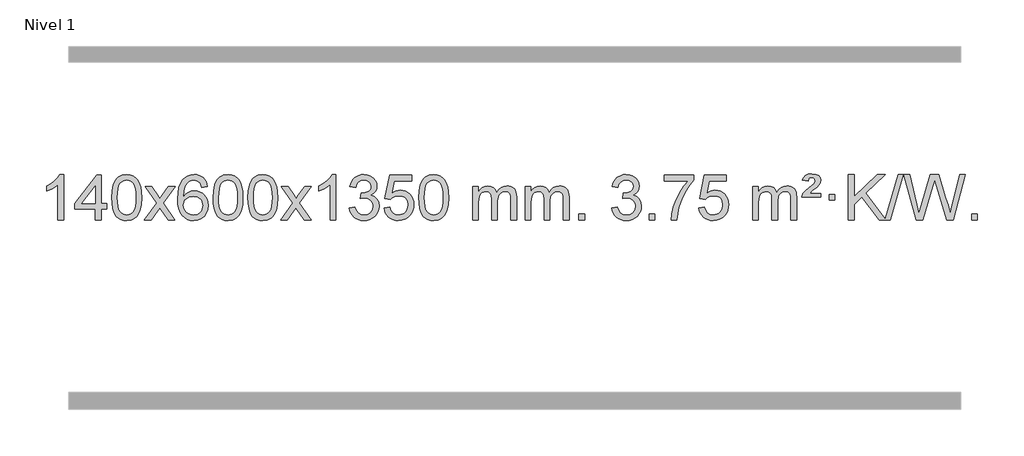
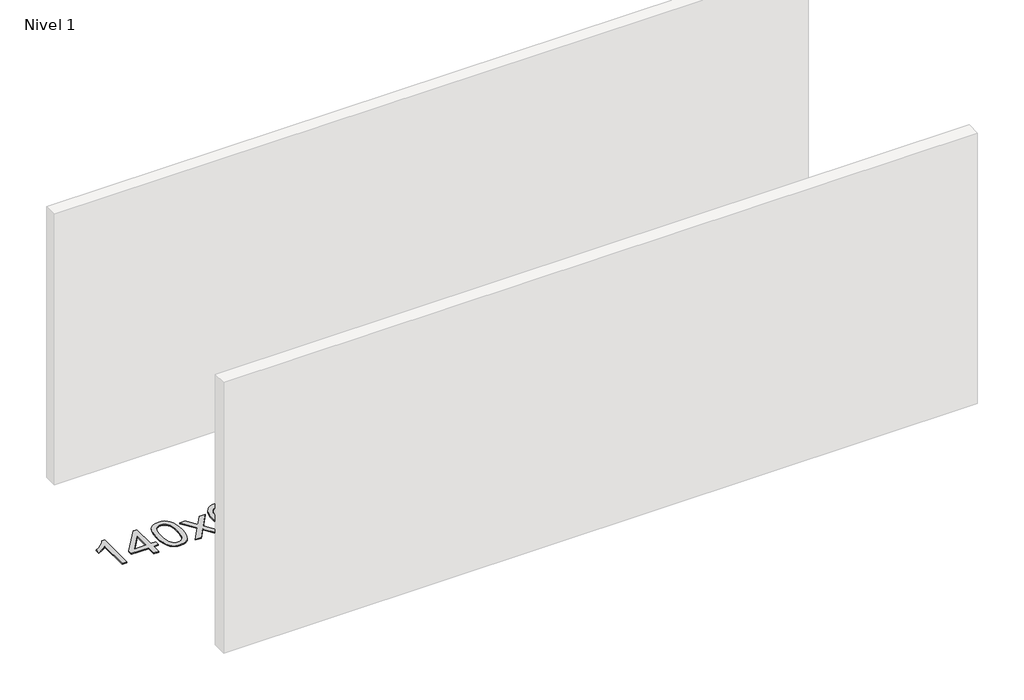
# One storey, part 7 of 21: 1 proxy.
"""IFC4 building model written with IfcOpenShell, lengths in millimetres."""

from ifc_helpers import new_model, si_unit, origin, origin_with_axes, place, context, project, spatial, polyline, outline, extrude, element, save

model = new_model("IFC4")

# Units and contexts
model_context = context("Model", 3, world=origin())
ifc_project = project(units=[si_unit("LENGTHUNIT", "METRE", prefix="MILLI")], contexts=[model_context])

# Site, building, storey
site = spatial("IfcSite", under=ifc_project)
building = spatial("IfcBuilding", under=site)
storey = spatial("IfcBuildingStorey", under=building, Name="Nivel 1", Elevation=0.0)

# Proxy
placement = place(None, origin())
element("IfcBuildingElementProxy", 1, Name="Texto de modelo 1", ObjectType="Texto de modelo 1", at=placement, inside=storey, context=model_context, shape_type="SweptSolid", body=[
    extrude(outline(polyline([(-275.4615788, -36780.579453), (-325.6897338, -36780.579453), (-325.6897338, -36467.4382987), (-346.6590076, -36484.3976587), (-373.2691385, -36501.3324932), (-426.146044, -36526.6918254), (-426.146044, -36479.2105225), (-386.6968314, -36457.7507395), (-352.520594, -36432.219729), (-325.5793692, -36405.0700378), (-307.8351943, -36378.7542124), (-275.4615788, -36378.7542124), (-275.4615788, -36780.579453)])), origin_with_axes(), (0.0, 0.0, 1.0), 10.0),
    extrude(outline(polyline([(7.0717935, -36780.579453), (7.0717935, -36686.4016622), (-175.0052686, -36686.4016622), (-175.0052686, -36636.1735072), (19.6288323, -36385.0327318), (57.2999486, -36385.0327318), (57.2999486, -36636.1735072), (107.5281037, -36636.1735072), (107.5281037, -36686.4016622), (57.2999486, -36686.4016622), (57.2999486, -36780.579453), (7.0717935, -36780.579453)]), holes=[polyline([(7.0717935, -36636.1735072), (7.0717935, -36480.9763561), (-113.2010934, -36636.1735072), (7.0717935, -36636.1735072)])]), origin_with_axes(), (0.0, 0.0, 1.0), 10.0),
    extrude(outline(polyline([(151.4777394, -36582.9041943), (155.1688221, -36518.5861588), (166.2420701, -36467.2911459), (184.5871189, -36428.2343407), (196.4451819, -36413.0009605), (210.0936039, -36400.6309284), (225.5783702, -36391.0598651), (242.9454661, -36384.2233914), (283.3266464, -36378.7542124), (314.277785, -36381.991574), (341.9915619, -36391.7036586), (365.1681276, -36407.5103217), (382.5076323, -36429.0314184), (395.6042314, -36456.0830078), (406.05208, -36488.4811488), (412.8946851, -36529.6226186), (415.1755535, -36582.9041943), (411.521259, -36646.8543477), (400.5583756, -36698.0267333), (382.3236913, -36737.1203266), (370.4932195, -36752.3996922), (356.8539945, -36764.8341036), (341.3508341, -36774.4695462), (323.928556, -36781.3520052), (283.3266464, -36786.8579724), (255.6619204, -36784.4667394), (231.1364541, -36777.2930405), (209.7502474, -36765.3368757), (191.5033004, -36748.5982449), (173.9921175, -36718.3399508), (161.4841296, -36680.6381776), (153.9793369, -36635.4929255), (151.4777394, -36582.9041943)]), holes=[polyline([(201.7058944, -36582.8060924), (203.1774224, -36626.4706195), (207.5920064, -36661.8148822), (214.9496463, -36688.8388804), (225.2503421, -36707.5426142), (237.709279, -36720.2682656), (251.5416421, -36729.3580165), (266.7474312, -36734.8118671), (283.3266464, -36736.6298173), (299.9058617, -36734.8057357), (315.1116508, -36729.3334911), (328.9440138, -36720.2130833), (341.4029507, -36707.4445124), (351.7036466, -36688.7101217), (359.0612865, -36661.6922549), (363.4758705, -36626.3909118), (364.9473984, -36582.8060924), (363.5249214, -36540.2973278), (359.2574902, -36505.5753989), (352.145105, -36478.6403055), (342.1877657, -36459.4920476), (329.9372952, -36446.1440625), (315.9455167, -36436.6097875), (300.21243, -36430.8892225), (282.7380352, -36428.9823675), (266.2446591, -36430.6623619), (251.2963874, -36435.7023452), (237.89322, -36444.1023175), (226.0351571, -36455.8622786), (215.3911047, -36476.708925), (207.7882101, -36504.8151094), (203.2264734, -36540.1808319), (201.7058944, -36582.8060924)])]), origin_with_axes(), (0.0, 0.0, 1.0), 10.0),
    extrude(outline(polyline([(440.2896311, -36780.579453), (547.6130718, -36632.2494325), (446.5681504, -36485.4890419), (506.9988995, -36485.4890419), (555.7555266, -36556.122385), (578.5151594, -36589.4770192), (598.2336343, -36562.2047007), (653.7592901, -36485.4890419), (714.1900392, -36485.4890419), (608.0438209, -36632.2494325), (710.2659646, -36780.579453), (649.8352155, -36780.579453), (588.3253459, -36691.4048574), (577.0436314, -36675.1199477), (500.7203801, -36780.579453), (440.2896311, -36780.579453)])), origin_with_axes(), (0.0, 0.0, 1.0), 10.0),
    extrude(outline(polyline([(999.0778563, -36485.4890419), (948.8497012, -36491.7675613), (940.7562973, -36466.874213), (929.8179393, -36449.8780648), (907.0337811, -36434.2062918), (879.4916824, -36428.9823675), (856.1434384, -36432.0235253), (834.1686206, -36441.1469988), (815.2962742, -36460.3627017), (799.8820186, -36486.8134171), (789.4709581, -36524.227016), (785.6081972, -36576.3313693), (805.7558678, -36552.8237098), (829.9011894, -36536.2567573), (856.6952614, -36526.434308), (884.7891831, -36523.1601582), (908.922242, -36525.398107), (931.1913654, -36532.1119534), (951.5965534, -36543.3016975), (970.137806, -36558.9673391), (985.5459302, -36578.1769106), (996.5517332, -36599.9984443), (1003.155215, -36624.4319401), (1005.3563756, -36651.4773982), (1001.2115718, -36687.4439945), (988.7771604, -36720.786366), (969.0832109, -36749.0642287), (943.159793, -36769.8372987), (912.184129, -36782.602804), (877.3334413, -36786.8579724), (847.3909126, -36784.0375437), (820.3485203, -36775.5762579), (796.2062643, -36761.4741147), (774.9641448, -36741.7311143), (757.6460999, -36715.5133908), (745.2760678, -36681.9870783), (737.8540485, -36641.1521768), (735.3800421, -36593.0086864), (738.1268943, -36539.0342663), (746.367451, -36492.9693092), (760.1017122, -36454.8138149), (779.3296778, -36424.5677835), (800.1701928, -36404.5243462), (824.3339085, -36390.2076052), (851.820825, -36381.6175606), (882.6309421, -36378.7542124), (905.7645882, -36380.5261773), (926.7032051, -36385.8420722), (945.4467927, -36394.7018969), (961.9953511, -36407.1056515), (975.9012906, -36422.6364031), (986.7170212, -36440.8772186), (994.4425431, -36461.8280983), (999.0778563, -36485.4890419)]), holes=[polyline([(785.6081972, -36650.6925832), (788.514465, -36672.9494439), (797.2332682, -36694.2007605), (810.7713257, -36712.472233), (828.1353558, -36725.7895612), (849.0923668, -36733.9197533), (873.4093667, -36736.6298173), (906.5555345, -36731.0134855), (920.4706709, -36723.9930708), (932.6138425, -36714.1644901), (942.4638829, -36701.9262824), (949.499626, -36687.6769865), (955.1282206, -36653.1451299), (949.5732024, -36619.9989621), (942.6294298, -36606.3781312), (932.9081481, -36594.725469), (920.7281883, -36585.3904634), (906.4083817, -36578.7226022), (871.3492275, -36573.3883133), (838.2521107, -36578.7226022), (810.5751219, -36594.725469), (799.6520924, -36606.2248471), (791.8499284, -36619.3858254), (787.16863, -36634.2084042), (785.6081972, -36650.6925832)])]), origin_with_axes(), (0.0, 0.0, 1.0), 10.0),
    extrude(outline(polyline([(1049.3060113, -36582.9041943), (1052.997094, -36518.5861588), (1064.0703421, -36467.2911459), (1082.4153909, -36428.2343407), (1094.2734539, -36413.0009605), (1107.9218759, -36400.6309284), (1123.4066422, -36391.0598651), (1140.7737381, -36384.2233914), (1181.1549184, -36378.7542124), (1212.1060569, -36381.991574), (1239.8198339, -36391.7036586), (1262.9963996, -36407.5103217), (1280.3359043, -36429.0314184), (1293.4325033, -36456.0830078), (1303.880352, -36488.4811488), (1310.7229571, -36529.6226186), (1313.0038255, -36582.9041943), (1309.349531, -36646.8543477), (1298.3866475, -36698.0267333), (1280.1519633, -36737.1203266), (1268.3214915, -36752.3996922), (1254.6822665, -36764.8341036), (1239.1791061, -36774.4695462), (1221.7568279, -36781.3520052), (1181.1549184, -36786.8579724), (1153.4901924, -36784.4667394), (1128.964726, -36777.2930405), (1107.5785194, -36765.3368757), (1089.3315724, -36748.5982449), (1071.8203894, -36718.3399508), (1059.3124016, -36680.6381776), (1051.8076089, -36635.4929255), (1049.3060113, -36582.9041943)]), holes=[polyline([(1099.5341664, -36582.8060924), (1101.0056944, -36626.4706195), (1105.4202783, -36661.8148822), (1112.7779182, -36688.8388804), (1123.0786141, -36707.5426142), (1135.537551, -36720.2682656), (1149.369914, -36729.3580165), (1164.5757032, -36734.8118671), (1181.1549184, -36736.6298173), (1197.7341337, -36734.8057357), (1212.9399228, -36729.3334911), (1226.7722858, -36720.2130833), (1239.2312227, -36707.4445124), (1249.5319186, -36688.7101217), (1256.8895585, -36661.6922549), (1261.3041424, -36626.3909118), (1262.7756704, -36582.8060924), (1261.3531934, -36540.2973278), (1257.0857622, -36505.5753989), (1249.973377, -36478.6403055), (1240.0160376, -36459.4920476), (1227.7655672, -36446.1440625), (1213.7737886, -36436.6097875), (1198.040702, -36430.8892225), (1180.5663072, -36428.9823675), (1164.0729311, -36430.6623619), (1149.1246594, -36435.7023452), (1135.721492, -36444.1023175), (1123.863429, -36455.8622786), (1113.2193766, -36476.708925), (1105.6164821, -36504.8151094), (1101.0547453, -36540.1808319), (1099.5341664, -36582.8060924)])]), origin_with_axes(), (0.0, 0.0, 1.0), 10.0),
    extrude(outline(polyline([(1356.9534612, -36582.9041943), (1360.6445439, -36518.5861588), (1371.7177919, -36467.2911459), (1390.0628407, -36428.2343407), (1401.9209037, -36413.0009605), (1415.5693257, -36400.6309284), (1431.054092, -36391.0598651), (1448.4211879, -36384.2233914), (1488.8023682, -36378.7542124), (1519.7535068, -36381.991574), (1547.4672837, -36391.7036586), (1570.6438494, -36407.5103217), (1587.9833541, -36429.0314184), (1601.0799532, -36456.0830078), (1611.5278018, -36488.4811488), (1618.3704069, -36529.6226186), (1620.6512753, -36582.9041943), (1616.9969808, -36646.8543477), (1606.0340974, -36698.0267333), (1587.7994131, -36737.1203266), (1575.9689413, -36752.3996922), (1562.3297163, -36764.8341036), (1546.8265559, -36774.4695462), (1529.4042778, -36781.3520052), (1488.8023682, -36786.8579724), (1461.1376422, -36784.4667394), (1436.6121759, -36777.2930405), (1415.2259692, -36765.3368757), (1396.9790222, -36748.5982449), (1379.4678393, -36718.3399508), (1366.9598514, -36680.6381776), (1359.4550587, -36635.4929255), (1356.9534612, -36582.9041943)]), holes=[polyline([(1407.1816162, -36582.8060924), (1408.6531442, -36626.4706195), (1413.0677282, -36661.8148822), (1420.4253681, -36688.8388804), (1430.7260639, -36707.5426142), (1443.1850008, -36720.2682656), (1457.0173639, -36729.3580165), (1472.223153, -36734.8118671), (1488.8023682, -36736.6298173), (1505.3815835, -36734.8057357), (1520.5873726, -36729.3334911), (1534.4197356, -36720.2130833), (1546.8786725, -36707.4445124), (1557.1793684, -36688.7101217), (1564.5370083, -36661.6922549), (1568.9515923, -36626.3909118), (1570.4231202, -36582.8060924), (1569.0006432, -36540.2973278), (1564.733212, -36505.5753989), (1557.6208268, -36478.6403055), (1547.6634875, -36459.4920476), (1535.413017, -36446.1440625), (1521.4212385, -36436.6097875), (1505.6881518, -36430.8892225), (1488.213757, -36428.9823675), (1471.7203809, -36430.6623619), (1456.7721092, -36435.7023452), (1443.3689418, -36444.1023175), (1431.5108789, -36455.8622786), (1420.8668265, -36476.708925), (1413.2639319, -36504.8151094), (1408.7021952, -36540.1808319), (1407.1816162, -36582.8060924)])]), origin_with_axes(), (0.0, 0.0, 1.0), 10.0),
    extrude(outline(polyline([(1645.7653528, -36780.579453), (1753.0887936, -36632.2494325), (1652.0438722, -36485.4890419), (1712.4746213, -36485.4890419), (1761.2312484, -36556.122385), (1783.9908812, -36589.4770192), (1803.7093561, -36562.2047007), (1859.2350119, -36485.4890419), (1919.665761, -36485.4890419), (1813.5195426, -36632.2494325), (1915.7416864, -36780.579453), (1855.3109373, -36780.579453), (1793.8010677, -36691.4048574), (1782.5193532, -36675.1199477), (1706.1961019, -36780.579453), (1645.7653528, -36780.579453)])), origin_with_axes(), (0.0, 0.0, 1.0), 10.0),
    extrude(outline(polyline([(2135.4898648, -36780.579453), (2085.2617098, -36780.579453), (2085.2617098, -36467.4382987), (2064.292436, -36484.3976587), (2037.682305, -36501.3324932), (1984.8053996, -36526.6918254), (1984.8053996, -36479.2105225), (2024.2546122, -36457.7507395), (2058.4308496, -36432.219729), (2085.3720743, -36405.0700378), (2103.1162492, -36378.7542124), (2135.4898648, -36378.7542124), (2135.4898648, -36780.579453)])), origin_with_axes(), (0.0, 0.0, 1.0), 10.0),
    extrude(outline(polyline([(2254.7817331, -36673.8446235), (2305.0098882, -36667.5661041), (2316.2548145, -36699.1303793), (2332.7236652, -36720.4430095), (2355.2257805, -36732.5831154), (2384.570501, -36736.6298173), (2419.0042558, -36731.0625364), (2433.2780772, -36724.1034354), (2445.5898613, -36714.3606939), (2462.5860095, -36689.4428201), (2468.2513922, -36659.2274455), (2462.6350604, -36630.5449126), (2445.786065, -36607.2825078), (2420.27958, -36591.8682522), (2388.6907794, -36586.730167), (2353.4722097, -36592.2238715), (2359.064016, -36541.9957164), (2367.108369, -36542.5843276), (2397.2011162, -36538.979084), (2424.1055528, -36528.1633534), (2435.1788008, -36519.9841103), (2443.0882637, -36509.8673555), (2447.8339415, -36497.8130888), (2449.415834, -36483.8213102), (2444.8295718, -36462.1285352), (2431.0707852, -36444.5315131), (2410.076986, -36432.8696539), (2383.7856861, -36428.9823675), (2357.4453352, -36432.9064421), (2335.9119758, -36444.6786659), (2320.1911519, -36464.299039), (2311.2884076, -36491.7675613), (2261.0602525, -36485.4890419), (2267.0138095, -36461.5092672), (2275.8491087, -36440.3867093), (2287.5661503, -36422.1213683), (2302.1649341, -36406.713244), (2319.1856077, -36394.4811677), (2338.1683187, -36385.7439703), (2359.113067, -36380.5016519), (2382.0198525, -36378.7542124), (2413.5963904, -36382.2000404), (2442.5977544, -36392.5375245), (2467.0496443, -36408.8469596), (2484.9777602, -36430.2086408), (2495.9774319, -36454.8199463), (2499.6439891, -36480.8782543), (2496.1613729, -36505.1584659), (2485.7135242, -36527.1823347), (2468.4475959, -36545.9443165), (2444.5107408, -36560.4388671), (2475.9523886, -36573.1430586), (2499.2515817, -36594.77452), (2513.6725559, -36624.1560286), (2518.4795473, -36660.1103623), (2516.0760516, -36685.5923218), (2508.8655645, -36709.0631931), (2496.848086, -36730.5229762), (2480.023616, -36749.971671), (2459.5264575, -36766.1094278), (2436.4909133, -36777.636397), (2410.9169832, -36784.5525785), (2382.8046674, -36786.8579724), (2357.3962843, -36784.8898037), (2334.2442441, -36778.9852977), (2313.3485468, -36769.1444543), (2294.7091923, -36755.3672736), (2279.0803389, -36738.4630959), (2267.2161446, -36719.2412617), (2259.1166093, -36697.7017708), (2254.7817331, -36673.8446235)])), origin_with_axes(), (0.0, 0.0, 1.0), 10.0),
    extrude(outline(polyline([(2562.429183, -36673.8446235), (2612.657338, -36667.5661041), (2621.8789134, -36697.7201649), (2637.9676193, -36719.3148381), (2660.8498794, -36732.3010725), (2690.4521173, -36736.6298173), (2709.581981, -36735.1245668), (2726.4555019, -36730.6088153), (2741.0726798, -36723.0825628), (2753.4335149, -36712.5458094), (2763.2620955, -36699.519721), (2770.2825102, -36684.5254641), (2775.898842, -36648.6324441), (2770.6381295, -36614.8363514), (2764.0622388, -36600.9181493), (2754.8559919, -36588.9865099), (2742.9887319, -36579.4154467), (2728.4298019, -36572.5789729), (2691.2369322, -36567.1097939), (2666.8708814, -36569.2925604), (2647.1401437, -36575.8408599), (2631.3825316, -36585.8717757), (2618.9358574, -36598.5023908), (2568.7077023, -36592.2238715), (2612.657338, -36385.0327318), (2807.291439, -36385.0327318), (2807.291439, -36435.2608869), (2653.2715103, -36435.2608869), (2631.7872018, -36545.919791), (2649.5129826, -36533.2155994), (2667.667959, -36524.1411769), (2686.2521312, -36518.6965234), (2705.265499, -36516.8816388), (2729.726586, -36519.1318504), (2752.1949788, -36525.882485), (2772.6706775, -36537.1335427), (2791.1536821, -36552.8850234), (2806.4545074, -36572.1743027), (2817.3836684, -36594.038756), (2823.9411649, -36618.4783832), (2826.1269971, -36645.4931844), (2824.1588284, -36671.5147042), (2818.2543224, -36695.7213394), (2808.413479, -36718.1130902), (2794.6362983, -36738.6899565), (2773.7651265, -36759.7634634), (2749.4113384, -36774.8159684), (2721.5749341, -36783.8474714), (2690.2559136, -36786.8579724), (2664.3355613, -36784.9235262), (2640.922938, -36779.1201877), (2620.0180436, -36769.447957), (2601.6208782, -36755.9068338), (2586.3139215, -36739.1712688), (2574.6796534, -36719.915712), (2566.7180739, -36698.1401636), (2562.429183, -36673.8446235)])), origin_with_axes(), (0.0, 0.0, 1.0), 10.0),
    extrude(outline(polyline([(2870.0766328, -36582.9041943), (2873.7677155, -36518.5861588), (2884.8409635, -36467.2911459), (2903.1860124, -36428.2343407), (2915.0440753, -36413.0009605), (2928.6924974, -36400.6309284), (2944.1772637, -36391.0598651), (2961.5443595, -36384.2233914), (3001.9255399, -36378.7542124), (3032.8766784, -36381.991574), (3060.5904554, -36391.7036586), (3083.7670211, -36407.5103217), (3101.1065258, -36429.0314184), (3114.2031248, -36456.0830078), (3124.6509735, -36488.4811488), (3131.4935786, -36529.6226186), (3133.7744469, -36582.9041943), (3130.1201525, -36646.8543477), (3119.157269, -36698.0267333), (3100.9225848, -36737.1203266), (3089.0921129, -36752.3996922), (3075.452888, -36764.8341036), (3059.9497276, -36774.4695462), (3042.5274494, -36781.3520052), (3001.9255399, -36786.8579724), (2974.2608138, -36784.4667394), (2949.7353475, -36777.2930405), (2928.3491408, -36765.3368757), (2910.1021939, -36748.5982449), (2892.5910109, -36718.3399508), (2880.0830231, -36680.6381776), (2872.5782304, -36635.4929255), (2870.0766328, -36582.9041943)]), holes=[polyline([(2920.3047879, -36582.8060924), (2921.7763158, -36626.4706195), (2926.1908998, -36661.8148822), (2933.5485397, -36688.8388804), (2943.8492356, -36707.5426142), (2956.3081725, -36720.2682656), (2970.1405355, -36729.3580165), (2985.3463246, -36734.8118671), (3001.9255399, -36736.6298173), (3018.5047551, -36734.8057357), (3033.7105442, -36729.3334911), (3047.5429073, -36720.2130833), (3060.0018442, -36707.4445124), (3070.30254, -36688.7101217), (3077.6601799, -36661.6922549), (3082.0747639, -36626.3909118), (3083.5462919, -36582.8060924), (3082.1238148, -36540.2973278), (3077.8563837, -36505.5753989), (3070.7439984, -36478.6403055), (3060.7866591, -36459.4920476), (3048.5361887, -36446.1440625), (3034.5444101, -36436.6097875), (3018.8113234, -36430.8892225), (3001.3369287, -36428.9823675), (2984.8435526, -36430.6623619), (2969.8952808, -36435.7023452), (2956.4921135, -36444.1023175), (2944.6340505, -36455.8622786), (2933.9899981, -36476.708925), (2926.3871035, -36504.8151094), (2921.8253668, -36540.1808319), (2920.3047879, -36582.8060924)])]), origin_with_axes(), (0.0, 0.0, 1.0), 10.0),
    extrude(outline(polyline([(3347.244106, -36780.579453), (3347.244106, -36485.4890419), (3397.4722611, -36485.4890419), (3397.4722611, -36534.0494653), (3412.5799483, -36511.7435537), (3432.0041177, -36494.2691589), (3455.0825815, -36482.9751816), (3481.1531522, -36479.2105225), (3509.0876584, -36483.048758), (3531.4794092, -36494.5634645), (3548.2057772, -36512.9943524), (3559.1441352, -36537.5811324), (3577.4523959, -36512.0439906), (3598.3358304, -36493.803175), (3621.794439, -36482.8586857), (3647.8282215, -36479.2105225), (3667.9360383, -36480.7280358), (3685.585177, -36485.2805755), (3700.7756377, -36492.8681416), (3713.5074204, -36503.4907342), (3723.5720587, -36517.2709806), (3730.761086, -36534.3315082), (3735.0745024, -36554.6723168), (3736.5123078, -36578.2934066), (3736.5123078, -36780.579453), (3686.2841528, -36780.579453), (3686.2841528, -36599.875817), (3685.1191931, -36574.8230531), (3681.6243142, -36557.9372695), (3675.0760146, -36546.3735121), (3664.7507933, -36537.2868268), (3651.4702533, -36531.4007149), (3636.0559977, -36529.4386776), (3608.8449928, -36534.4663982), (3586.6617085, -36549.54956), (3578.0563355, -36561.1194488), (3571.9096405, -36575.7182326), (3566.9922845, -36614.0024856), (3566.9922845, -36780.579453), (3516.7641294, -36780.579453), (3516.7641294, -36594.2840106), (3513.8578616, -36565.8835206), (3505.1390583, -36545.6254854), (3489.7983791, -36533.4853796), (3467.0264836, -36529.4386776), (3447.6758907, -36532.1364789), (3429.8458767, -36540.2298828), (3415.1305968, -36553.5226856), (3405.1242066, -36571.8186835), (3399.3852475, -36597.2025411), (3397.4722611, -36631.7589232), (3397.4722611, -36780.579453), (3347.244106, -36780.579453)])), origin_with_axes(), (0.0, 0.0, 1.0), 10.0),
    extrude(outline(polyline([(3811.8545404, -36780.579453), (3811.8545404, -36485.4890419), (3862.0826955, -36485.4890419), (3862.0826955, -36534.0494653), (3877.1903828, -36511.7435537), (3896.6145521, -36494.2691589), (3919.693016, -36482.9751816), (3945.7635867, -36479.2105225), (3973.6980929, -36483.048758), (3996.0898436, -36494.5634645), (4012.8162117, -36512.9943524), (4023.7545697, -36537.5811324), (4042.0628303, -36512.0439906), (4062.9462649, -36493.803175), (4086.4048734, -36482.8586857), (4112.438656, -36479.2105225), (4132.5464727, -36480.7280358), (4150.1956114, -36485.2805755), (4165.3860721, -36492.8681416), (4178.1178548, -36503.4907342), (4188.1824931, -36517.2709806), (4195.3715204, -36534.3315082), (4199.6849368, -36554.6723168), (4201.1227423, -36578.2934066), (4201.1227423, -36780.579453), (4150.8945872, -36780.579453), (4150.8945872, -36599.875817), (4149.7296276, -36574.8230531), (4146.2347486, -36557.9372695), (4139.6864491, -36546.3735121), (4129.3612278, -36537.2868268), (4116.0806877, -36531.4007149), (4100.6664321, -36529.4386776), (4073.4554272, -36534.4663982), (4051.2721429, -36549.54956), (4042.6667699, -36561.1194488), (4036.5200749, -36575.7182326), (4031.6027189, -36614.0024856), (4031.6027189, -36780.579453), (3981.3745638, -36780.579453), (3981.3745638, -36594.2840106), (3978.4682961, -36565.8835206), (3969.7494928, -36545.6254854), (3954.4088136, -36533.4853796), (3931.6369181, -36529.4386776), (3912.2863251, -36532.1364789), (3894.4563111, -36540.2298828), (3879.7410313, -36553.5226856), (3869.734641, -36571.8186835), (3863.9956819, -36597.2025411), (3862.0826955, -36631.7589232), (3862.0826955, -36780.579453), (3811.8545404, -36780.579453)])), origin_with_axes(), (0.0, 0.0, 1.0), 10.0),
    extrude(outline(polyline([(4289.0220137, -36780.579453), (4289.0220137, -36730.3512979), (4339.2501687, -36730.3512979), (4339.2501687, -36780.579453), (4289.0220137, -36780.579453)])), origin_with_axes(), (0.0, 0.0, 1.0), 10.0),
    extrude(outline(polyline([(4577.8339053, -36673.8446235), (4628.0620604, -36667.5661041), (4639.3069867, -36699.1303793), (4655.7758374, -36720.4430095), (4678.2779528, -36732.5831154), (4707.6226732, -36736.6298173), (4742.056428, -36731.0625364), (4756.3302494, -36724.1034354), (4768.6420335, -36714.3606939), (4785.6381817, -36689.4428201), (4791.3035644, -36659.2274455), (4785.6872326, -36630.5449126), (4768.8382372, -36607.2825078), (4743.3317522, -36591.8682522), (4711.7429516, -36586.730167), (4676.5243819, -36592.2238715), (4682.1161882, -36541.9957164), (4690.1605412, -36542.5843276), (4720.2532884, -36538.979084), (4747.157725, -36528.1633534), (4758.230973, -36519.9841103), (4766.1404359, -36509.8673555), (4770.8861137, -36497.8130888), (4772.4680063, -36483.8213102), (4767.881744, -36462.1285352), (4754.1229574, -36444.5315131), (4733.1291582, -36432.8696539), (4706.8378583, -36428.9823675), (4680.4975075, -36432.9064421), (4658.964148, -36444.6786659), (4643.2433241, -36464.299039), (4634.3405798, -36491.7675613), (4584.1124247, -36485.4890419), (4590.0659817, -36461.5092672), (4598.9012809, -36440.3867093), (4610.6183225, -36422.1213683), (4625.2171063, -36406.713244), (4642.23778, -36394.4811677), (4661.2204909, -36385.7439703), (4682.1652392, -36380.5016519), (4705.0720247, -36378.7542124), (4736.6485627, -36382.2000404), (4765.6499266, -36392.5375245), (4790.1018166, -36408.8469596), (4808.0299325, -36430.2086408), (4819.0296041, -36454.8199463), (4822.6961613, -36480.8782543), (4819.2135451, -36505.1584659), (4808.7656964, -36527.1823347), (4791.4997681, -36545.9443165), (4767.562913, -36560.4388671), (4799.0045608, -36573.1430586), (4822.3037539, -36594.77452), (4836.7247281, -36624.1560286), (4841.5317195, -36660.1103623), (4839.1282238, -36685.5923218), (4831.9177367, -36709.0631931), (4819.9002582, -36730.5229762), (4803.0757883, -36749.971671), (4782.5786298, -36766.1094278), (4759.5430855, -36777.636397), (4733.9691555, -36784.5525785), (4705.8568397, -36786.8579724), (4680.4484565, -36784.8898037), (4657.2964163, -36778.9852977), (4636.400719, -36769.1444543), (4617.7613645, -36755.3672736), (4602.1325111, -36738.4630959), (4590.2683168, -36719.2412617), (4582.1687815, -36697.7017708), (4577.8339053, -36673.8446235)])), origin_with_axes(), (0.0, 0.0, 1.0), 10.0),
    extrude(outline(polyline([(4910.5954327, -36780.579453), (4910.5954327, -36730.3512979), (4960.8235878, -36730.3512979), (4960.8235878, -36780.579453), (4910.5954327, -36780.579453)])), origin_with_axes(), (0.0, 0.0, 1.0), 10.0),
    extrude(outline(polyline([(5042.4443398, -36435.2608869), (5042.4443398, -36385.0327318), (5306.1421539, -36385.0327318), (5306.1421539, -36425.646904), (5268.5568767, -36473.214046), (5231.3394816, -36533.7061088), (5198.5121449, -36601.6048623), (5174.0970431, -36671.3920768), (5162.1286155, -36723.6067947), (5155.4576887, -36780.579453), (5105.2295336, -36780.579453), (5110.6619244, -36728.8061935), (5125.1932632, -36667.2717985), (5148.4311426, -36602.0463207), (5179.983155, -36539.1998132), (5216.8204055, -36482.3865704), (5255.9139988, -36435.2608869), (5042.4443398, -36435.2608869)])), origin_with_axes(), (0.0, 0.0, 1.0), 10.0),
    extrude(outline(polyline([(5350.0917896, -36673.8446235), (5400.3199447, -36667.5661041), (5409.54152, -36697.7201649), (5425.630226, -36719.3148381), (5448.5124861, -36732.3010725), (5478.1147239, -36736.6298173), (5497.2445877, -36735.1245668), (5514.1181085, -36730.6088153), (5528.7352865, -36723.0825628), (5541.0961215, -36712.5458094), (5550.9247021, -36699.519721), (5557.9451169, -36684.5254641), (5563.5614487, -36648.6324441), (5558.3007361, -36614.8363514), (5551.7248455, -36600.9181493), (5542.5185986, -36588.9865099), (5530.6513385, -36579.4154467), (5516.0924086, -36572.5789729), (5478.8995389, -36567.1097939), (5454.533488, -36569.2925604), (5434.8027504, -36575.8408599), (5419.0451382, -36585.8717757), (5406.5984641, -36598.5023908), (5356.370309, -36592.2238715), (5400.3199447, -36385.0327318), (5594.9540456, -36385.0327318), (5594.9540456, -36435.2608869), (5440.934117, -36435.2608869), (5419.4498084, -36545.919791), (5437.1755892, -36533.2155994), (5455.3305657, -36524.1411769), (5473.9147378, -36518.6965234), (5492.9281056, -36516.8816388), (5517.3891926, -36519.1318504), (5539.8575855, -36525.882485), (5560.3332842, -36537.1335427), (5578.8162887, -36552.8850234), (5594.1171141, -36572.1743027), (5605.046275, -36594.038756), (5611.6037716, -36618.4783832), (5613.7896038, -36645.4931844), (5611.8214351, -36671.5147042), (5605.9169291, -36695.7213394), (5596.0760857, -36718.1130902), (5582.298905, -36738.6899565), (5561.4277331, -36759.7634634), (5537.073945, -36774.8159684), (5509.2375407, -36783.8474714), (5477.9185202, -36786.8579724), (5451.998168, -36784.9235262), (5428.5855447, -36779.1201877), (5407.6806503, -36769.447957), (5389.2834848, -36755.9068338), (5373.9765281, -36739.1712688), (5362.3422601, -36719.915712), (5354.3806805, -36698.1401636), (5350.0917896, -36673.8446235)])), origin_with_axes(), (0.0, 0.0, 1.0), 10.0),
    extrude(outline(polyline([(5827.2592628, -36780.579453), (5827.2592628, -36485.4890419), (5877.4874179, -36485.4890419), (5877.4874179, -36534.0494653), (5892.5951052, -36511.7435537), (5912.0192745, -36494.2691589), (5935.0977383, -36482.9751816), (5961.1683091, -36479.2105225), (5989.1028152, -36483.048758), (6011.494566, -36494.5634645), (6028.2209341, -36512.9943524), (6039.159292, -36537.5811324), (6057.4675527, -36512.0439906), (6078.3509873, -36493.803175), (6101.8095958, -36482.8586857), (6127.8433783, -36479.2105225), (6147.9511951, -36480.7280358), (6165.6003338, -36485.2805755), (6180.7907945, -36492.8681416), (6193.5225772, -36503.4907342), (6203.5872155, -36517.2709806), (6210.7762428, -36534.3315082), (6215.0896592, -36554.6723168), (6216.5274647, -36578.2934066), (6216.5274647, -36780.579453), (6166.2993096, -36780.579453), (6166.2993096, -36599.875817), (6165.1343499, -36574.8230531), (6161.639471, -36557.9372695), (6155.0911715, -36546.3735121), (6144.7659501, -36537.2868268), (6131.4854101, -36531.4007149), (6116.0711545, -36529.4386776), (6088.8601496, -36534.4663982), (6066.6768653, -36549.54956), (6058.0714923, -36561.1194488), (6051.9247973, -36575.7182326), (6047.0074413, -36614.0024856), (6047.0074413, -36780.579453), (5996.7792862, -36780.579453), (5996.7792862, -36594.2840106), (5993.8730184, -36565.8835206), (5985.1542152, -36545.6254854), (5969.813536, -36533.4853796), (5947.0416405, -36529.4386776), (5927.6910475, -36532.1364789), (5909.8610335, -36540.2298828), (5895.1457537, -36553.5226856), (5885.1393634, -36571.8186835), (5879.4004043, -36597.2025411), (5877.4874179, -36631.7589232), (5877.4874179, -36780.579453), (5827.2592628, -36780.579453)])), origin_with_axes(), (0.0, 0.0, 1.0), 10.0),
    extrude(outline(polyline([(6260.4771003, -36579.6668327), (6264.3030731, -36563.8479069), (6272.6417317, -36547.9799302), (6294.1505656, -36522.8413272), (6326.1072483, -36495.1030247), (6370.2530877, -36457.726214), (6377.3899984, -36446.1992448), (6379.7689686, -36434.3779701), (6377.8805077, -36422.2869152), (6372.215125, -36412.5012541), (6362.8463969, -36406.026531), (6349.8478997, -36403.8682899), (6337.4134883, -36405.4869707), (6328.5597949, -36410.343013), (6322.1341227, -36419.8098431), (6316.9837748, -36435.2608869), (6266.7556197, -36428.9823675), (6277.5958759, -36403.7701881), (6294.224142, -36386.2099542), (6317.9893189, -36375.9092583), (6350.2403072, -36372.475693), (6386.0229626, -36376.6082341), (6410.7691581, -36389.0058573), (6425.1901323, -36407.3386434), (6429.9971237, -36429.2766731), (6425.9013708, -36452.1834586), (6413.6141122, -36473.8149199), (6393.0862969, -36493.6314968), (6356.6169284, -36521.6886303), (6331.0123416, -36548.2742358), (6429.9971237, -36548.2742358), (6429.9971237, -36579.6668327), (6260.4771003, -36579.6668327)])), origin_with_axes(), (0.0, 0.0, 1.0), 10.0),
    extrude(outline(polyline([(6505.3393563, -36604.7809102), (6505.3393563, -36554.5527552), (6555.5675114, -36554.5527552), (6555.5675114, -36604.7809102), (6505.3393563, -36604.7809102)])), origin_with_axes(), (0.0, 0.0, 1.0), 10.0),
    extrude(outline(polyline([(6946.2091394, -36780.579453), (6792.7778219, -36577.9009991), (6725.0875348, -36642.4520265), (6725.0875348, -36780.579453), (6674.8593797, -36780.579453), (6674.8593797, -36378.7542124), (6725.0875348, -36378.7542124), (6725.0875348, -36575.4484525), (6931.1014521, -36378.7542124), (7001.3423877, -36378.7542124), (6828.388799, -36543.9577537), (7003.0424089, -36774.5349332), (7114.3557366, -36378.7542124), (7159.6787984, -36378.7542124), (7046.6654495, -36780.579453), (7007.6209071, -36780.579453), (7001.3423877, -36780.579453), (6946.2091394, -36780.579453)])), origin_with_axes(), (0.0, 0.0, 1.0), 10.0),
    extrude(outline(polyline([(7274.1636753, -36780.579453), (7164.5838917, -36378.7542124), (7216.3816766, -36378.7542124), (7279.9516854, -36642.844434), (7299.5720585, -36724.3670841), (7320.5658576, -36652.2622131), (7400.2245723, -36378.7542124), (7474.8800919, -36378.7542124), (7532.7601925, -36577.0180823), (7557.5554389, -36650.5944814), (7575.8269114, -36724.3670841), (7594.8586732, -36645.1988788), (7659.0172932, -36378.7542124), (7710.8150781, -36378.7542124), (7601.1371926, -36780.579453), (7547.4754723, -36780.579453), (7451.1394405, -36470.5775584), (7437.6994849, -36427.3146358), (7422.5917976, -36479.4067263), (7334.7906281, -36780.579453), (7274.1636753, -36780.579453)])), origin_with_axes(), (0.0, 0.0, 1.0), 10.0),
    extrude(outline(polyline([(7767.3217526, -36780.579453), (7767.3217526, -36730.3512979), (7817.5499077, -36730.3512979), (7817.5499077, -36780.579453), (7767.3217526, -36780.579453)])), origin_with_axes(), (0.0, 0.0, 1.0), 10.0),
])

save(model, "model.ifc")
